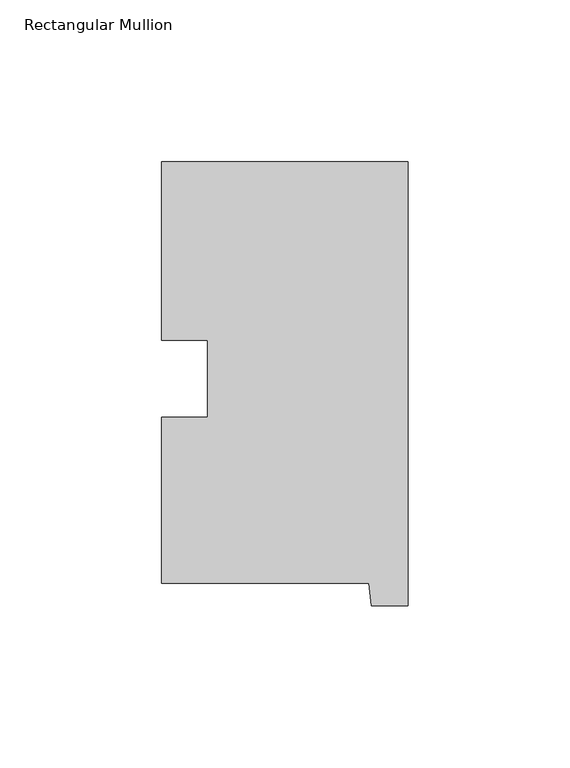
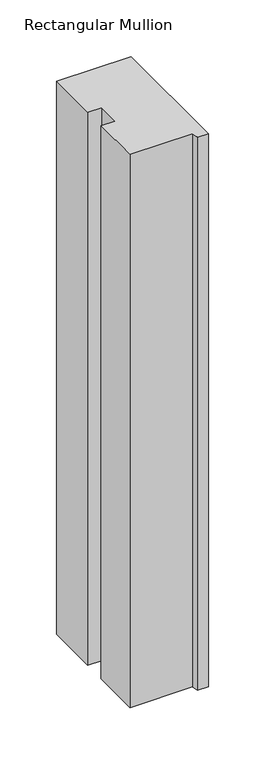
"""IFC4 building model written with IfcOpenShell, lengths in millimetres: member geometry, Rectangular Mullion."""

from ifc_helpers import new_model, si_unit, frame, origin, place, context, project, spatial, polyline, outline, extrude, source, transform, mapped, element, save


def rectangular_mullion_4e279b00(model_context):
    return source(origin(), model_context, "Body", "SweptSolid", [
        extrude(outline(polyline([(-76.2, 130.56235), (0.0, 130.56235), (0.0, -6.64845), (-11.4023812, -6.64845), (-12.1549448, 0.26035), (-76.2, 0.26035), (-76.2, 51.60645), (-61.960125, 51.60645), (-61.960125, 75.40625), (-76.2, 75.40625), (-76.2, 130.56235)])), frame((0.0, 0.0, -596.9428128), z_axis=(0.0, 0.0, 1.0), x_axis=(1.0, 0.0, 0.0)), (0.0, 0.0, 1.0), 596.9428128),
    ])


if __name__ == "__main__":
    model = new_model("IFC4")
    model_context = context("Model", 3, world=origin())
    ifc_project = project(units=[si_unit("LENGTHUNIT", "METRE", prefix="MILLI")], contexts=[model_context])
    site = spatial("IfcSite", under=ifc_project)
    building = spatial("IfcBuilding", under=site)
    placement = place(None, origin())
    rectangular_mullion_shape = rectangular_mullion_4e279b00(model_context)
    element("IfcMember", 1, ObjectType="Rectangular Mullion", at=placement, inside=building, context=model_context, shape_type="MappedRepresentation", body=[
        mapped(rectangular_mullion_shape, transform((0.0, 0.0, 0.0), x_axis=(1.0, 0.0, 0.0), y_axis=(0.0, 1.0, 0.0), z_axis=(0.0, 0.0, 1.0))),
    ])
    save(model, "model.ifc")
